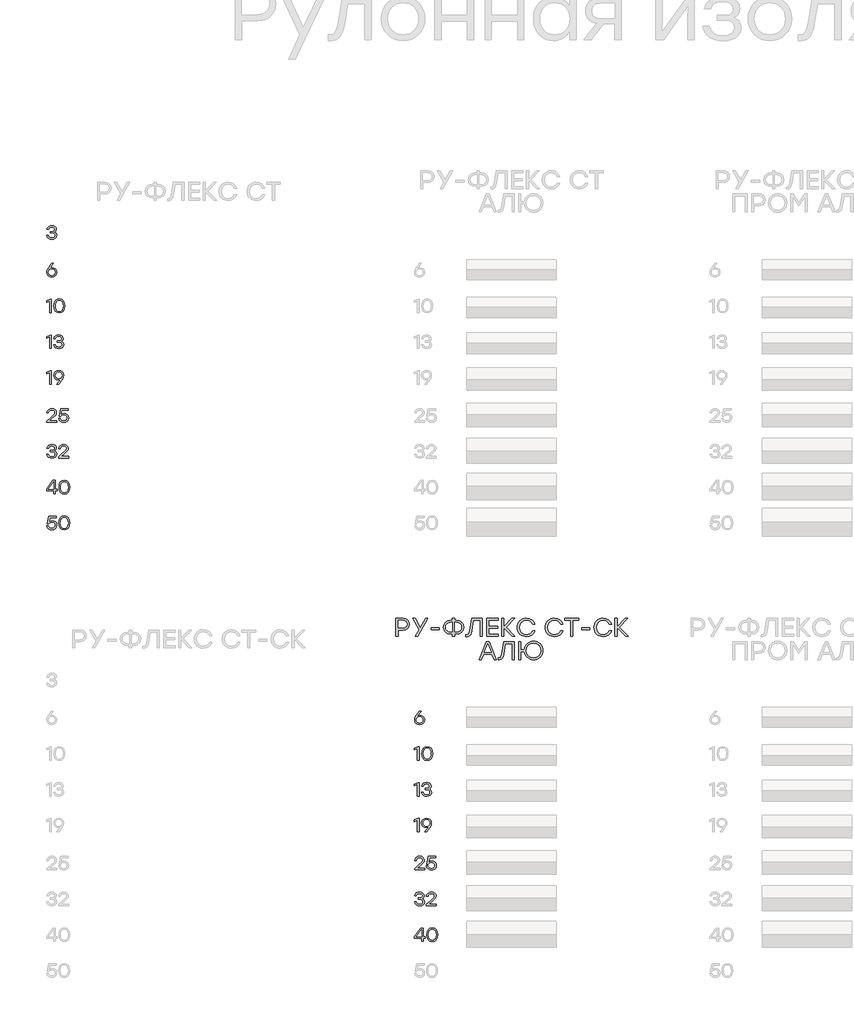
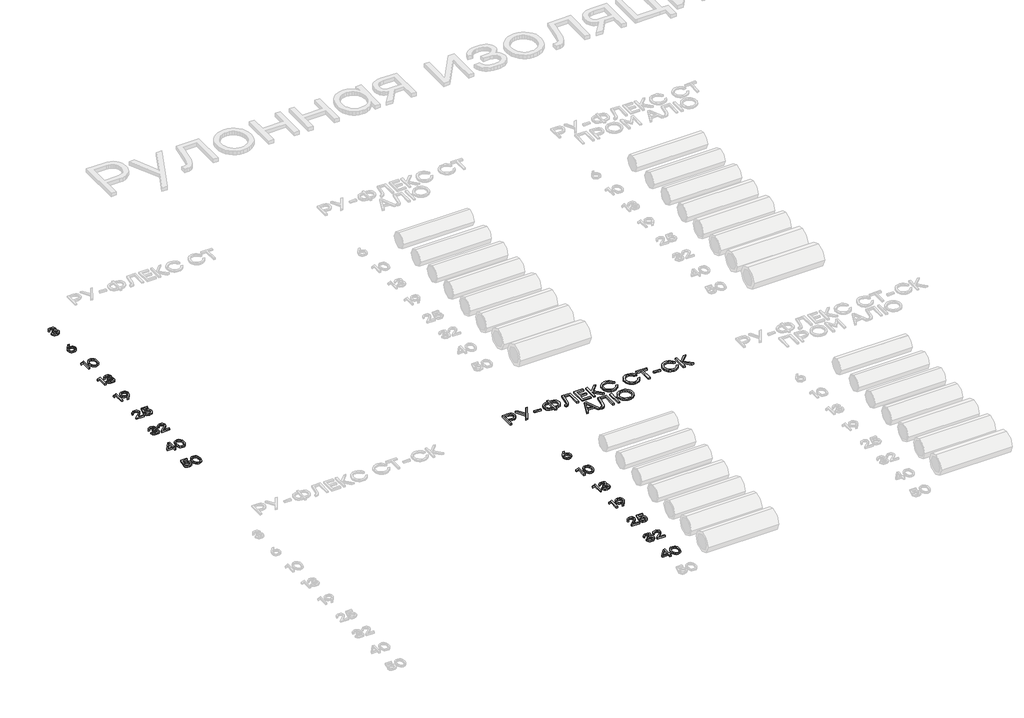
# One storey, part 36 of 41: 17 proxies.
"""IFC4 building model written with IfcOpenShell, lengths in millimetres."""

from ifc_helpers import new_model, si_unit, origin, origin_with_axes, place, context, project, spatial, polyline, outline, extrude, element, save

model = new_model("IFC4")

# Units and contexts
model_context = context("Model", 3, world=origin())
ifc_project = project(units=[si_unit("LENGTHUNIT", "METRE", prefix="MILLI")], contexts=[model_context])

# Site, building, storey
site = spatial("IfcSite", under=ifc_project)
building = spatial("IfcBuilding", under=site)
storey = spatial("IfcBuildingStorey", under=building, Elevation=0.0)

# Proxies
placement = place(None, origin())
element("IfcBuildingElementProxy", 1, Name="Generic Models", at=placement, inside=storey, context=model_context, shape_type="SweptSolid", body=[
    extrude(outline(polyline([(21490.5956427, -8446.3810501), (21510.2621824, -8449.7294046), (21526.8224173, -8459.7744679), (21538.0777292, -8475.6085536), (21541.8294998, -8496.3239753), (21537.8104659, -8517.8411868), (21525.7533643, -8534.870393), (21507.6954468, -8545.9592957), (21485.6739651, -8549.6555966), (21463.8340208, -8545.9895519), (21445.8366157, -8534.9914178), (21433.7795141, -8517.8311013), (21429.7604802, -8495.6785094), (21432.3826855, -8477.8323854), (21440.2493013, -8459.8753219), (21482.0432194, -8400.3109204), (21484.3830333, -8397.3256405), (21505.1993091, -8397.3256405), (21462.5178754, -8454.3283492), (21476.5164175, -8448.3678749), (21490.5956427, -8446.3810501)]), holes=[polyline([(21485.6739651, -8532.7524579), (21500.7819017, -8530.2311067), (21513.1062665, -8522.667053), (21521.3057008, -8511.0385811), (21524.0388455, -8496.3239753), (21521.3057008, -8481.5085155), (21513.1062665, -8470.0615809), (21500.8323287, -8462.7395769), (21485.8756732, -8460.2989089), (21470.5458577, -8462.7647904), (21458.3626886, -8470.1624349), (21450.4053041, -8481.6850101), (21447.7528426, -8496.5256834), (21450.4557311, -8511.3663568), (21458.5643967, -8522.8889319), (21470.7475658, -8530.2865764), (21485.6739651, -8532.7524579)])]), origin_with_axes(), (0.0, 0.0, 1.0), 20.0),
])
element("IfcBuildingElementProxy", 2, Name="Generic Models", at=placement, inside=storey, context=model_context, shape_type="SweptSolid", body=[
    extrude(outline(polyline([(21471.7561063, -8797.3256405), (21479.9051135, -8797.3256405), (21479.9051135, -8947.3157827), (21462.1144592, -8947.3157827), (21462.1144592, -8818.1015747), (21427.6223744, -8832.0194335), (21427.6223744, -8814.4708289), (21471.7561063, -8797.3256405)])), origin_with_axes(), (0.0, 0.0, 1.0), 20.0),
    extrude(outline(polyline([(21570.6334163, -8794.945485), (21596.1394053, -8800.0083582), (21615.2109061, -8815.1969781), (21627.1015985, -8839.5986153), (21631.0651626, -8872.3005408), (21627.1015985, -8905.0024663), (21615.2109061, -8929.4041035), (21596.1394053, -8944.5927233), (21570.6334163, -8949.6555966), (21545.2787083, -8944.6229795), (21526.1769513, -8929.5251284), (21514.1954903, -8905.1587901), (21510.2016699, -8872.3207116), (21514.1954903, -8839.4775904), (21526.1769513, -8815.096124), (21545.2787083, -8799.9831447), (21570.6334163, -8794.945485)]), holes=[polyline([(21539.4493442, -8918.0681084), (21552.8730182, -8929.0813705), (21570.6334163, -8932.7524579), (21588.3938144, -8929.0813705), (21601.8174883, -8918.0681084), (21610.2589722, -8899.2890844), (21613.0728002, -8872.3207116), (21610.2589722, -8845.3523388), (21601.8174883, -8826.5733148), (21588.3938144, -8815.5600526), (21570.6334163, -8811.8889653), (21552.8730182, -8815.5600526), (21539.4493442, -8826.5733148), (21531.0078603, -8845.3523388), (21528.1940323, -8872.3207116), (21531.0078603, -8899.2890844), (21539.4493442, -8918.0681084)])]), origin_with_axes(), (0.0, 0.0, 1.0), 20.0),
])
element("IfcBuildingElementProxy", 3, Name="Generic Models", at=placement, inside=storey, context=model_context, shape_type="SweptSolid", body=[
    extrude(outline(polyline([(21471.7561063, -9197.3256405), (21479.9051135, -9197.3256405), (21479.9051135, -9347.3157827), (21462.1144592, -9347.3157827), (21462.1144592, -9218.1015747), (21427.6223744, -9232.0194335), (21427.6223744, -9214.4708289), (21471.7561063, -9197.3256405)])), origin_with_axes(), (0.0, 0.0, 1.0), 20.0),
    extrude(outline(polyline([(21592.942332, -9268.246208), (21604.1522596, -9273.7124975), (21612.5281884, -9281.9623587), (21617.7473854, -9292.6226317), (21619.4871178, -9305.3201565), (21615.7908169, -9323.5696968), (21604.7019141, -9337.6539647), (21587.6121955, -9346.6551886), (21565.9134468, -9349.6555966), (21544.5273456, -9346.7661281), (21526.6005383, -9338.0977226), (21513.6559211, -9323.9126005), (21507.2163901, -9304.4729825), (21525.2087525, -9304.4729825), (21530.0699176, -9316.845253), (21538.4408037, -9325.6825891), (21550.3214107, -9330.9849907), (21565.7117387, -9332.7524579), (21580.6230099, -9330.8211029), (21591.9539623, -9325.0270378), (21599.1095571, -9315.9148744), (21601.4947554, -9304.0292247), (21599.4877598, -9293.2479268), (21593.466773, -9284.8669553), (21583.0989768, -9279.4813491), (21568.0515526, -9277.686147), (21547.2756185, -9277.686147), (21547.2756185, -9262.0335986), (21562.9281669, -9262.0335986), (21577.6478154, -9260.586343), (21588.16185, -9256.2445761), (21594.4702708, -9249.0082981), (21596.5730778, -9238.8775088), (21594.2937762, -9227.7381791), (21587.4558717, -9219.1706276), (21576.8661965, -9213.7093808), (21563.3315831, -9211.8889653), (21550.4928626, -9213.4169041), (21540.215835, -9218.0007206), (21532.5509273, -9226.1144289), (21527.5485664, -9238.2320429), (21509.556204, -9238.2320429), (21516.2276994, -9219.0294319), (21528.0931783, -9205.555331), (21544.2449543, -9197.5979465), (21563.7753409, -9194.945485), (21583.789827, -9197.8652097), (21600.1029695, -9206.6243839), (21610.9498225, -9219.9925881), (21614.5654402, -9236.739403), (21608.9982966, -9256.0226972), (21602.2007337, -9263.2539326), (21592.942332, -9268.246208)])), origin_with_axes(), (0.0, 0.0, 1.0), 20.0),
])
element("IfcBuildingElementProxy", 4, Name="Generic Models", at=placement, inside=storey, context=model_context, shape_type="SweptSolid", body=[
    extrude(outline(polyline([(21471.7561063, -9597.3256405), (21479.9051135, -9597.3256405), (21479.9051135, -9747.3157827), (21462.1144592, -9747.3157827), (21462.1144592, -9618.1015747), (21427.6223744, -9632.0194335), (21427.6223744, -9614.4708289), (21471.7561063, -9597.3256405)])), origin_with_axes(), (0.0, 0.0, 1.0), 20.0),
    extrude(outline(polyline([(21563.3315831, -9594.945485), (21585.2017837, -9598.5913589), (21603.2092742, -9609.5289805), (21615.2663758, -9626.6792116), (21619.2854097, -9648.9629138), (21616.6581617, -9666.8039951), (21608.7764177, -9684.7459305), (21567.0026705, -9744.3305028), (21564.6225149, -9747.3157827), (21543.8465808, -9747.3157827), (21586.4876728, -9690.313074), (21572.5093016, -9696.2735483), (21558.4099055, -9698.2603731), (21538.7484086, -9694.9120186), (21522.2033018, -9684.8669553), (21510.963118, -9669.0328696), (21507.2163901, -9648.3174479), (21511.2354239, -9626.7699802), (21523.2925255, -9609.7306886), (21541.3403577, -9598.6417859), (21563.3315831, -9594.945485)]), holes=[polyline([(21563.129875, -9684.3021727), (21578.5151602, -9681.8413339), (21590.7840553, -9674.4588174), (21598.8170804, -9662.9513704), (21601.4947554, -9648.1157398), (21598.7616106, -9633.2750664), (21590.5621764, -9621.7524913), (21578.2932813, -9614.3548468), (21563.3517539, -9611.8889653), (21548.4102265, -9614.4052738), (21536.1413314, -9621.9541994), (21527.9418972, -9633.5776286), (21525.2087525, -9648.3174479), (21527.911641, -9663.127865), (21536.0203066, -9674.5596715), (21548.2034757, -9681.8665474), (21563.129875, -9684.3021727)])]), origin_with_axes(), (0.0, 0.0, 1.0), 20.0),
])
element("IfcBuildingElementProxy", 5, Name="Generic Models", at=placement, inside=storey, context=model_context, shape_type="SweptSolid", body=[
    extrude(outline(polyline([(21542.2732576, -10154.1705943), (21542.2732576, -10171.3157827), (21429.7604802, -10171.3157827), (21429.7604802, -10158.446806), (21473.2487463, -10120.5256834), (21511.9363596, -10084.5409586), (21518.2901647, -10074.5765786), (21520.4080997, -10063.9667326), (21518.1035847, -10052.6912499), (21511.1900396, -10043.7152395), (21500.4188271, -10037.8455338), (21486.54131, -10035.8889653), (21472.608323, -10037.9514306), (21461.6707014, -10044.1388265), (21453.7940002, -10054.077993), (21449.0437744, -10067.3957703), (21431.051412, -10067.3957703), (21437.2488934, -10047.3964123), (21449.4673614, -10032.0161698), (21466.5671655, -10022.2131562), (21487.4086548, -10018.945485), (21507.9526246, -10022.1072594), (21524.1598704, -10031.5925828), (21534.6890331, -10045.8483026), (21538.198754, -10063.3212667), (21535.6521893, -10077.9602319), (21528.012495, -10091.0561302), (21487.812071, -10129.3201565), (21459.0888377, -10154.1705943), (21542.2732576, -10154.1705943)])), origin_with_axes(), (0.0, 0.0, 1.0), 20.0),
    extrude(outline(polyline([(21623.3599133, -10072.3174479), (21643.2483318, -10075.6910158), (21659.667371, -10085.8117197), (21670.6806332, -10101.5096524), (21674.3517206, -10121.6149072), (21670.4436262, -10142.3152008), (21658.7193429, -10158.9914178), (21641.1556103, -10169.9895519), (21619.7291675, -10173.6555966), (21598.771696, -10170.6047616), (21580.9205293, -10161.4522566), (21567.9002715, -10146.7225227), (21561.435527, -10126.940001), (21579.4278894, -10126.940001), (21584.5764886, -10139.6425685), (21593.5676271, -10149.0270378), (21605.5642163, -10154.8211029), (21619.7291675, -10156.7524579), (21634.2168517, -10154.2311067), (21645.9713911, -10146.667053), (21653.7623664, -10135.3613141), (21656.3593582, -10121.6149072), (21653.7875799, -10107.6718348), (21646.0722452, -10096.7442986), (21634.3933462, -10089.6794724), (21619.9308756, -10087.3245304), (21598.9330625, -10092.195781), (21584.349567, -10106.8095327), (21567.2043786, -10106.8095327), (21585.4387907, -10021.3256405), (21667.2919371, -10021.3256405), (21667.2919371, -10038.2287792), (21598.9128917, -10038.2287792), (21589.0695365, -10084.9443748), (21604.500206, -10075.4741796), (21623.3599133, -10072.3174479)])), origin_with_axes(), (0.0, 0.0, 1.0), 20.0),
])
element("IfcBuildingElementProxy", 6, Name="Generic Models", at=placement, inside=storey, context=model_context, shape_type="SweptSolid", body=[
    extrude(outline(polyline([(21515.4864221, -10492.246208), (21526.6963497, -10497.7124975), (21535.0722785, -10505.9623587), (21540.2914755, -10516.6226317), (21542.0312079, -10529.3201565), (21538.334907, -10547.5696968), (21527.2460043, -10561.6539647), (21510.1562856, -10570.6551886), (21488.4575369, -10573.6555966), (21467.0714357, -10570.7661281), (21449.1446285, -10562.0977226), (21436.2000112, -10547.9126005), (21429.7604802, -10528.4729825), (21447.7528426, -10528.4729825), (21452.6140078, -10540.845253), (21460.9848939, -10549.6825891), (21472.8655009, -10554.9849907), (21488.2558288, -10556.7524579), (21503.1671, -10554.8211029), (21514.4980524, -10549.0270378), (21521.6536472, -10539.9148744), (21524.0388455, -10528.0292247), (21522.0318499, -10517.2479268), (21516.0108632, -10508.8669553), (21505.6430669, -10503.4813491), (21490.5956427, -10501.686147), (21469.8197086, -10501.686147), (21469.8197086, -10486.0335986), (21485.472257, -10486.0335986), (21500.1919055, -10484.586343), (21510.7059402, -10480.2445761), (21517.014361, -10473.0082981), (21519.1171679, -10462.8775088), (21516.8378664, -10451.7381791), (21509.9999618, -10443.1706276), (21499.4102867, -10437.7093808), (21485.8756732, -10435.8889653), (21473.0369528, -10437.4169041), (21462.7599251, -10442.0007206), (21455.0950174, -10450.1144289), (21450.0926565, -10462.2320429), (21432.1002941, -10462.2320429), (21438.7717895, -10443.0294319), (21450.6372684, -10429.555331), (21466.7890444, -10421.5979465), (21486.3194311, -10418.945485), (21506.3339171, -10421.8652097), (21522.6470596, -10430.6243839), (21533.4939126, -10443.9925881), (21537.1095303, -10460.739403), (21531.5423868, -10480.0226972), (21524.7448238, -10487.2539326), (21515.4864221, -10492.246208)])), origin_with_axes(), (0.0, 0.0, 1.0), 20.0),
    extrude(outline(polyline([(21673.9483044, -10554.1705943), (21673.9483044, -10571.3157827), (21561.435527, -10571.3157827), (21561.435527, -10558.446806), (21604.923793, -10520.5256834), (21643.6114064, -10484.5409586), (21649.9652115, -10474.5765786), (21652.0831465, -10463.9667326), (21649.7786315, -10452.6912499), (21642.8650864, -10443.7152395), (21632.0938739, -10437.8455338), (21618.2163567, -10435.8889653), (21604.2833698, -10437.9514306), (21593.3457482, -10444.1388265), (21585.4690469, -10454.077993), (21580.7188212, -10467.3957703), (21562.7264588, -10467.3957703), (21568.9239401, -10447.3964123), (21581.1424082, -10432.0161698), (21598.2422123, -10422.2131562), (21619.0837016, -10418.945485), (21639.6276714, -10422.1072594), (21655.8349171, -10431.5925828), (21666.3640799, -10445.8483026), (21669.8738008, -10463.3212667), (21667.327236, -10477.9602319), (21659.6875418, -10491.0561302), (21619.4871178, -10529.3201565), (21590.7638845, -10554.1705943), (21673.9483044, -10554.1705943)])), origin_with_axes(), (0.0, 0.0, 1.0), 20.0),
])
element("IfcBuildingElementProxy", 7, Name="Generic Models", at=placement, inside=storey, context=model_context, shape_type="SweptSolid", body=[
    extrude(outline(polyline([(21547.8404011, -10918.5892857), (21547.8404011, -10935.3310579), (21525.7735351, -10935.3310579), (21525.7735351, -10971.3157827), (21507.9828808, -10971.3157827), (21507.9828808, -10935.3310579), (21427.6223744, -10935.3310579), (21427.6223744, -10918.5892857), (21499.1884077, -10821.3256405), (21525.7735351, -10821.3256405), (21525.7735351, -10918.5892857), (21547.8404011, -10918.5892857)]), holes=[polyline([(21447.3090848, -10918.3875776), (21507.9828808, -10918.3875776), (21507.9828808, -10838.0270711), (21506.2481912, -10838.0270711), (21447.3090848, -10918.3875776)])]), origin_with_axes(), (0.0, 0.0, 1.0), 20.0),
    extrude(outline(polyline([(21627.4344168, -10818.945485), (21652.9404059, -10824.0083582), (21672.0119066, -10839.1969781), (21683.9025991, -10863.5986153), (21687.8661632, -10896.3005408), (21683.9025991, -10929.0024663), (21672.0119066, -10953.4041035), (21652.9404059, -10968.5927233), (21627.4344168, -10973.6555966), (21602.0797088, -10968.6229795), (21582.9779519, -10953.5251284), (21570.9964909, -10929.1587901), (21567.0026705, -10896.3207116), (21570.9964909, -10863.4775904), (21582.9779519, -10839.096124), (21602.0797088, -10823.9831447), (21627.4344168, -10818.945485)]), holes=[polyline([(21596.2503448, -10942.0681084), (21609.6740188, -10953.0813705), (21627.4344168, -10956.7524579), (21645.1948149, -10953.0813705), (21658.6184889, -10942.0681084), (21667.0599728, -10923.2890844), (21669.8738008, -10896.3207116), (21667.0599728, -10869.3523388), (21658.6184889, -10850.5733148), (21645.1948149, -10839.5600526), (21627.4344168, -10835.8889653), (21609.6740188, -10839.5600526), (21596.2503448, -10850.5733148), (21587.8088609, -10869.3523388), (21584.9950329, -10896.3207116), (21587.8088609, -10923.2890844), (21596.2503448, -10942.0681084)])]), origin_with_axes(), (0.0, 0.0, 1.0), 20.0),
])
element("IfcBuildingElementProxy", 8, Name="Generic Models", at=placement, inside=storey, context=model_context, shape_type="SweptSolid", body=[
    extrude(outline(polyline([(21491.6848665, -11272.3174479), (21511.573285, -11275.6910158), (21527.9923242, -11285.8117197), (21539.0055864, -11301.5096524), (21542.6766738, -11321.6149072), (21538.7685794, -11342.3152008), (21527.0442962, -11358.9914178), (21509.4805635, -11369.9895519), (21488.0541207, -11373.6555966), (21467.0966493, -11370.6047616), (21449.2454825, -11361.4522566), (21436.2252248, -11346.7225227), (21429.7604802, -11326.940001), (21447.7528426, -11326.940001), (21452.9014418, -11339.6425685), (21461.8925803, -11349.0270378), (21473.8891695, -11354.8211029), (21488.0541207, -11356.7524579), (21502.5418049, -11354.2311067), (21514.2963443, -11346.667053), (21522.0873196, -11335.3613141), (21524.6843114, -11321.6149072), (21522.1125332, -11307.6718348), (21514.3971984, -11296.7442986), (21502.7182995, -11289.6794724), (21488.2558288, -11287.3245304), (21467.2580157, -11292.195781), (21452.6745202, -11306.8095327), (21435.5293318, -11306.8095327), (21453.7637439, -11221.3256405), (21535.6168904, -11221.3256405), (21535.6168904, -11238.2287792), (21467.2378449, -11238.2287792), (21457.3944897, -11284.9443748), (21472.8251593, -11275.4741796), (21491.6848665, -11272.3174479)])), origin_with_axes(), (0.0, 0.0, 1.0), 20.0),
    extrude(outline(polyline([(21624.8525532, -11218.945485), (21650.3585423, -11224.0083582), (21669.430043, -11239.1969781), (21681.3207354, -11263.5986153), (21685.2842995, -11296.3005408), (21681.3207354, -11329.0024663), (21669.430043, -11353.4041035), (21650.3585423, -11368.5927233), (21624.8525532, -11373.6555966), (21599.4978452, -11368.6229795), (21580.3960882, -11353.5251284), (21568.4146272, -11329.1587901), (21564.4208068, -11296.3207116), (21568.4146272, -11263.4775904), (21580.3960882, -11239.096124), (21599.4978452, -11223.9831447), (21624.8525532, -11218.945485)]), holes=[polyline([(21593.6684811, -11342.0681084), (21607.0921551, -11353.0813705), (21624.8525532, -11356.7524579), (21642.6129513, -11353.0813705), (21656.0366252, -11342.0681084), (21664.4781092, -11323.2890844), (21667.2919371, -11296.3207116), (21664.4781092, -11269.3523388), (21656.0366252, -11250.5733148), (21642.6129513, -11239.5600526), (21624.8525532, -11235.8889653), (21607.0921551, -11239.5600526), (21593.6684811, -11250.5733148), (21585.2269972, -11269.3523388), (21582.4131692, -11296.3207116), (21585.2269972, -11323.2890844), (21593.6684811, -11342.0681084)])]), origin_with_axes(), (0.0, 0.0, 1.0), 20.0),
])
element("IfcBuildingElementProxy", 9, Name="Generic Models", at=placement, inside=storey, context=model_context, shape_type="SweptSolid", body=[
    extrude(outline(polyline([(21515.4864221, -8048.246208), (21526.6963497, -8053.7124975), (21535.0722785, -8061.9623587), (21540.2914755, -8072.6226317), (21542.0312079, -8085.3201565), (21538.334907, -8103.5696968), (21527.2460043, -8117.6539647), (21510.1562856, -8126.6551886), (21488.4575369, -8129.6555966), (21467.0714357, -8126.7661281), (21449.1446285, -8118.0977226), (21436.2000112, -8103.9126005), (21429.7604802, -8084.4729825), (21447.7528426, -8084.4729825), (21452.6140078, -8096.845253), (21460.9848939, -8105.6825891), (21472.8655009, -8110.9849907), (21488.2558288, -8112.7524579), (21503.1671, -8110.8211029), (21514.4980524, -8105.0270378), (21521.6536472, -8095.9148744), (21524.0388455, -8084.0292247), (21522.0318499, -8073.2479268), (21516.0108632, -8064.8669553), (21505.6430669, -8059.4813491), (21490.5956427, -8057.686147), (21469.8197086, -8057.686147), (21469.8197086, -8042.0335986), (21485.472257, -8042.0335986), (21500.1919055, -8040.586343), (21510.7059402, -8036.2445761), (21517.014361, -8029.0082981), (21519.1171679, -8018.8775088), (21516.8378664, -8007.7381791), (21509.9999618, -7999.1706276), (21499.4102867, -7993.7093808), (21485.8756732, -7991.8889653), (21473.0369528, -7993.4169041), (21462.7599251, -7998.0007206), (21455.0950174, -8006.1144289), (21450.0926565, -8018.2320429), (21432.1002941, -8018.2320429), (21438.7717895, -7999.0294319), (21450.6372684, -7985.555331), (21466.7890444, -7977.5979465), (21486.3194311, -7974.945485), (21506.3339171, -7977.8652097), (21522.6470596, -7986.6243839), (21533.4939126, -7999.9925881), (21537.1095303, -8016.739403), (21531.5423868, -8036.0226972), (21524.7448238, -8043.2539326), (21515.4864221, -8048.246208)])), origin_with_axes(), (0.0, 0.0, 1.0), 20.0),
])
element("IfcBuildingElementProxy", 10, Name="Generic Models", at=placement, inside=storey, context=model_context, shape_type="SweptSolid", body=[
    extrude(outline(polyline([(25599.0241406, -13446.3810501), (25618.6906803, -13449.7294046), (25635.2509151, -13459.7744679), (25646.5062271, -13475.6085536), (25650.2579977, -13496.3239753), (25646.2389638, -13517.8411868), (25634.1818622, -13534.870393), (25616.1239447, -13545.9592957), (25594.102463, -13549.6555966), (25572.2625187, -13545.9895519), (25554.2651136, -13534.9914178), (25542.208012, -13517.8311013), (25538.1889781, -13495.6785094), (25540.8111834, -13477.8323854), (25548.6777992, -13459.8753219), (25590.4717173, -13400.3109204), (25592.8115312, -13397.3256405), (25613.627807, -13397.3256405), (25570.9463733, -13454.3283492), (25584.9449154, -13448.3678749), (25599.0241406, -13446.3810501)]), holes=[polyline([(25594.102463, -13532.7524579), (25609.2103996, -13530.2311067), (25621.5347644, -13522.667053), (25629.7341987, -13511.0385811), (25632.4673434, -13496.3239753), (25629.7341987, -13481.5085155), (25621.5347644, -13470.0615809), (25609.2608266, -13462.7395769), (25594.3041711, -13460.2989089), (25578.9743556, -13462.7647904), (25566.7911865, -13470.1624349), (25558.833802, -13481.6850101), (25556.1813405, -13496.5256834), (25558.884229, -13511.3663568), (25566.9928946, -13522.8889319), (25579.1760637, -13530.2865764), (25594.102463, -13532.7524579)])]), origin_with_axes(), (0.0, 0.0, 1.0), 20.0),
])
element("IfcBuildingElementProxy", 11, Name="Generic Models", at=placement, inside=storey, context=model_context, shape_type="SweptSolid", body=[
    extrude(outline(polyline([(25580.1846042, -13797.3256405), (25588.3336114, -13797.3256405), (25588.3336114, -13947.3157827), (25570.5429571, -13947.3157827), (25570.5429571, -13818.1015747), (25536.0508722, -13832.0194335), (25536.0508722, -13814.4708289), (25580.1846042, -13797.3256405)])), origin_with_axes(), (0.0, 0.0, 1.0), 20.0),
    extrude(outline(polyline([(25679.0619142, -13794.945485), (25704.5679032, -13800.0083582), (25723.639404, -13815.1969781), (25735.5300964, -13839.5986153), (25739.4936605, -13872.3005408), (25735.5300964, -13905.0024663), (25723.639404, -13929.4041035), (25704.5679032, -13944.5927233), (25679.0619142, -13949.6555966), (25653.7072062, -13944.6229795), (25634.6054492, -13929.5251284), (25622.6239882, -13905.1587901), (25618.6301678, -13872.3207116), (25622.6239882, -13839.4775904), (25634.6054492, -13815.096124), (25653.7072062, -13799.9831447), (25679.0619142, -13794.945485)]), holes=[polyline([(25647.8778421, -13918.0681084), (25661.3015161, -13929.0813705), (25679.0619142, -13932.7524579), (25696.8223123, -13929.0813705), (25710.2459862, -13918.0681084), (25718.6874701, -13899.2890844), (25721.5012981, -13872.3207116), (25718.6874701, -13845.3523388), (25710.2459862, -13826.5733148), (25696.8223123, -13815.5600526), (25679.0619142, -13811.8889653), (25661.3015161, -13815.5600526), (25647.8778421, -13826.5733148), (25639.4363582, -13845.3523388), (25636.6225302, -13872.3207116), (25639.4363582, -13899.2890844), (25647.8778421, -13918.0681084)])]), origin_with_axes(), (0.0, 0.0, 1.0), 20.0),
])
element("IfcBuildingElementProxy", 12, Name="Generic Models", at=placement, inside=storey, context=model_context, shape_type="SweptSolid", body=[
    extrude(outline(polyline([(25580.1846042, -14197.3256405), (25588.3336114, -14197.3256405), (25588.3336114, -14347.3157827), (25570.5429571, -14347.3157827), (25570.5429571, -14218.1015747), (25536.0508722, -14232.0194335), (25536.0508722, -14214.4708289), (25580.1846042, -14197.3256405)])), origin_with_axes(), (0.0, 0.0, 1.0), 20.0),
    extrude(outline(polyline([(25701.3708299, -14268.246208), (25712.5807575, -14273.7124975), (25720.9566862, -14281.9623587), (25726.1758833, -14292.6226317), (25727.9156157, -14305.3201565), (25724.2193147, -14323.5696968), (25713.130412, -14337.6539647), (25696.0406934, -14346.6551886), (25674.3419447, -14349.6555966), (25652.9558435, -14346.7661281), (25635.0290362, -14338.0977226), (25622.084419, -14323.9126005), (25615.644888, -14304.4729825), (25633.6372504, -14304.4729825), (25638.4984155, -14316.845253), (25646.8693016, -14325.6825891), (25658.7499086, -14330.9849907), (25674.1402366, -14332.7524579), (25689.0515078, -14330.8211029), (25700.3824602, -14325.0270378), (25707.538055, -14315.9148744), (25709.9232533, -14304.0292247), (25707.9162577, -14293.2479268), (25701.8952709, -14284.8669553), (25691.5274747, -14279.4813491), (25676.4800505, -14277.686147), (25655.7041163, -14277.686147), (25655.7041163, -14262.0335986), (25671.3566648, -14262.0335986), (25686.0763133, -14260.586343), (25696.5903479, -14256.2445761), (25702.8987687, -14249.0082981), (25705.0015756, -14238.8775088), (25702.7222741, -14227.7381791), (25695.8843696, -14219.1706276), (25685.2946944, -14213.7093808), (25671.760081, -14211.8889653), (25658.9213605, -14213.4169041), (25648.6443329, -14218.0007206), (25640.9794251, -14226.1144289), (25635.9770643, -14238.2320429), (25617.9847019, -14238.2320429), (25624.6561973, -14219.0294319), (25636.5216762, -14205.555331), (25652.6734522, -14197.5979465), (25672.2038388, -14194.945485), (25692.2183249, -14197.8652097), (25708.5314674, -14206.6243839), (25719.3783204, -14219.9925881), (25722.993938, -14236.739403), (25717.4267945, -14256.0226972), (25710.6292316, -14263.2539326), (25701.3708299, -14268.246208)])), origin_with_axes(), (0.0, 0.0, 1.0), 20.0),
])
element("IfcBuildingElementProxy", 13, Name="Generic Models", at=placement, inside=storey, context=model_context, shape_type="SweptSolid", body=[
    extrude(outline(polyline([(25580.1846042, -14597.3256405), (25588.3336114, -14597.3256405), (25588.3336114, -14747.3157827), (25570.5429571, -14747.3157827), (25570.5429571, -14618.1015747), (25536.0508722, -14632.0194335), (25536.0508722, -14614.4708289), (25580.1846042, -14597.3256405)])), origin_with_axes(), (0.0, 0.0, 1.0), 20.0),
    extrude(outline(polyline([(25671.760081, -14594.945485), (25693.6302816, -14598.5913589), (25711.6377721, -14609.5289805), (25723.6948737, -14626.6792116), (25727.7139076, -14648.9629138), (25725.0866596, -14666.8039951), (25717.2049156, -14684.7459305), (25675.4311684, -14744.3305028), (25673.0510128, -14747.3157827), (25652.2750787, -14747.3157827), (25694.9161707, -14690.313074), (25680.9377995, -14696.2735483), (25666.8384034, -14698.2603731), (25647.1769065, -14694.9120186), (25630.6317997, -14684.8669553), (25619.3916159, -14669.0328696), (25615.644888, -14648.3174479), (25619.6639218, -14626.7699802), (25631.7210234, -14609.7306886), (25649.7688555, -14598.6417859), (25671.760081, -14594.945485)]), holes=[polyline([(25671.5583729, -14684.3021727), (25686.9436581, -14681.8413339), (25699.2125532, -14674.4588174), (25707.2455782, -14662.9513704), (25709.9232533, -14648.1157398), (25707.1901085, -14633.2750664), (25698.9906743, -14621.7524913), (25686.7217792, -14614.3548468), (25671.7802518, -14611.8889653), (25656.8387244, -14614.4052738), (25644.5698293, -14621.9541994), (25636.3703951, -14633.5776286), (25633.6372504, -14648.3174479), (25636.3401389, -14663.127865), (25644.4488044, -14674.5596715), (25656.6319736, -14681.8665474), (25671.5583729, -14684.3021727)])]), origin_with_axes(), (0.0, 0.0, 1.0), 20.0),
])
element("IfcBuildingElementProxy", 14, Name="Generic Models", at=placement, inside=storey, context=model_context, shape_type="SweptSolid", body=[
    extrude(outline(polyline([(25650.7017555, -15154.1705943), (25650.7017555, -15171.3157827), (25538.1889781, -15171.3157827), (25538.1889781, -15158.446806), (25581.6772442, -15120.5256834), (25620.3648575, -15084.5409586), (25626.7186626, -15074.5765786), (25628.8365976, -15063.9667326), (25626.5320826, -15052.6912499), (25619.6185375, -15043.7152395), (25608.847325, -15037.8455338), (25594.9698079, -15035.8889653), (25581.0368209, -15037.9514306), (25570.0991993, -15044.1388265), (25562.222498, -15054.077993), (25557.4722723, -15067.3957703), (25539.4799099, -15067.3957703), (25545.6773913, -15047.3964123), (25557.8958593, -15032.0161698), (25574.9956634, -15022.2131562), (25595.8371527, -15018.945485), (25616.3811225, -15022.1072594), (25632.5883682, -15031.5925828), (25643.117531, -15045.8483026), (25646.6272519, -15063.3212667), (25644.0806872, -15077.9602319), (25636.4409929, -15091.0561302), (25596.2405689, -15129.3201565), (25567.5173356, -15154.1705943), (25650.7017555, -15154.1705943)])), origin_with_axes(), (0.0, 0.0, 1.0), 20.0),
    extrude(outline(polyline([(25731.7884111, -15072.3174479), (25751.6768297, -15075.6910158), (25768.0958689, -15085.8117197), (25779.1091311, -15101.5096524), (25782.7802185, -15121.6149072), (25778.8721241, -15142.3152008), (25767.1478408, -15158.9914178), (25749.5841081, -15169.9895519), (25728.1576654, -15173.6555966), (25707.2001939, -15170.6047616), (25689.3490272, -15161.4522566), (25676.3287694, -15146.7225227), (25669.8640249, -15126.940001), (25687.8563873, -15126.940001), (25693.0049865, -15139.6425685), (25701.996125, -15149.0270378), (25713.9927141, -15154.8211029), (25728.1576654, -15156.7524579), (25742.6453496, -15154.2311067), (25754.399889, -15146.667053), (25762.1908643, -15135.3613141), (25764.7878561, -15121.6149072), (25762.2160778, -15107.6718348), (25754.500743, -15096.7442986), (25742.8218441, -15089.6794724), (25728.3593735, -15087.3245304), (25707.3615604, -15092.195781), (25692.7780649, -15106.8095327), (25675.6328765, -15106.8095327), (25693.8672886, -15021.3256405), (25775.720435, -15021.3256405), (25775.720435, -15038.2287792), (25707.3413896, -15038.2287792), (25697.4980344, -15084.9443748), (25712.9287039, -15075.4741796), (25731.7884111, -15072.3174479)])), origin_with_axes(), (0.0, 0.0, 1.0), 20.0),
])
element("IfcBuildingElementProxy", 15, Name="Generic Models", at=placement, inside=storey, context=model_context, shape_type="SweptSolid", body=[
    extrude(outline(polyline([(25623.91492, -15492.246208), (25635.1248476, -15497.7124975), (25643.5007764, -15505.9623587), (25648.7199734, -15516.6226317), (25650.4597058, -15529.3201565), (25646.7634049, -15547.5696968), (25635.6745022, -15561.6539647), (25618.5847835, -15570.6551886), (25596.8860348, -15573.6555966), (25575.4999336, -15570.7661281), (25557.5731264, -15562.0977226), (25544.6285091, -15547.9126005), (25538.1889781, -15528.4729825), (25556.1813405, -15528.4729825), (25561.0425057, -15540.845253), (25569.4133918, -15549.6825891), (25581.2939988, -15554.9849907), (25596.6843267, -15556.7524579), (25611.5955979, -15554.8211029), (25622.9265503, -15549.0270378), (25630.0821451, -15539.9148744), (25632.4673434, -15528.0292247), (25630.4603478, -15517.2479268), (25624.4393611, -15508.8669553), (25614.0715648, -15503.4813491), (25599.0241406, -15501.686147), (25578.2482065, -15501.686147), (25578.2482065, -15486.0335986), (25593.9007549, -15486.0335986), (25608.6204034, -15484.586343), (25619.1344381, -15480.2445761), (25625.4428589, -15473.0082981), (25627.5456658, -15462.8775088), (25625.2663643, -15451.7381791), (25618.4284597, -15443.1706276), (25607.8387845, -15437.7093808), (25594.3041711, -15435.8889653), (25581.4654507, -15437.4169041), (25571.188423, -15442.0007206), (25563.5235153, -15450.1144289), (25558.5211544, -15462.2320429), (25540.528792, -15462.2320429), (25547.2002874, -15443.0294319), (25559.0657663, -15429.555331), (25575.2175423, -15421.5979465), (25594.7479289, -15418.945485), (25614.762415, -15421.8652097), (25631.0755575, -15430.6243839), (25641.9224105, -15443.9925881), (25645.5380282, -15460.739403), (25639.9708847, -15480.0226972), (25633.1733217, -15487.2539326), (25623.91492, -15492.246208)])), origin_with_axes(), (0.0, 0.0, 1.0), 20.0),
    extrude(outline(polyline([(25782.3768023, -15554.1705943), (25782.3768023, -15571.3157827), (25669.8640249, -15571.3157827), (25669.8640249, -15558.446806), (25713.3522909, -15520.5256834), (25752.0399042, -15484.5409586), (25758.3937094, -15474.5765786), (25760.5116444, -15463.9667326), (25758.2071294, -15452.6912499), (25751.2935843, -15443.7152395), (25740.5223718, -15437.8455338), (25726.6448546, -15435.8889653), (25712.7118677, -15437.9514306), (25701.7742461, -15444.1388265), (25693.8975448, -15454.077993), (25689.1473191, -15467.3957703), (25671.1549567, -15467.3957703), (25677.352438, -15447.3964123), (25689.5709061, -15432.0161698), (25706.6707102, -15422.2131562), (25727.5121995, -15418.945485), (25748.0561693, -15422.1072594), (25764.263415, -15431.5925828), (25774.7925778, -15445.8483026), (25778.3022987, -15463.3212667), (25775.7557339, -15477.9602319), (25768.1160397, -15491.0561302), (25727.9156157, -15529.3201565), (25699.1923824, -15554.1705943), (25782.3768023, -15554.1705943)])), origin_with_axes(), (0.0, 0.0, 1.0), 20.0),
])
element("IfcBuildingElementProxy", 16, Name="Generic Models", at=placement, inside=storey, context=model_context, shape_type="SweptSolid", body=[
    extrude(outline(polyline([(25656.268899, -15918.5892857), (25656.268899, -15935.3310579), (25634.202033, -15935.3310579), (25634.202033, -15971.3157827), (25616.4113787, -15971.3157827), (25616.4113787, -15935.3310579), (25536.0508722, -15935.3310579), (25536.0508722, -15918.5892857), (25607.6169056, -15821.3256405), (25634.202033, -15821.3256405), (25634.202033, -15918.5892857), (25656.268899, -15918.5892857)]), holes=[polyline([(25555.7375827, -15918.3875776), (25616.4113787, -15918.3875776), (25616.4113787, -15838.0270711), (25614.6766891, -15838.0270711), (25555.7375827, -15918.3875776)])]), origin_with_axes(), (0.0, 0.0, 1.0), 20.0),
    extrude(outline(polyline([(25735.8629147, -15818.945485), (25761.3689038, -15824.0083582), (25780.4404045, -15839.1969781), (25792.3310969, -15863.5986153), (25796.2946611, -15896.3005408), (25792.3310969, -15929.0024663), (25780.4404045, -15953.4041035), (25761.3689038, -15968.5927233), (25735.8629147, -15973.6555966), (25710.5082067, -15968.6229795), (25691.4064498, -15953.5251284), (25679.4249887, -15929.1587901), (25675.4311684, -15896.3207116), (25679.4249887, -15863.4775904), (25691.4064498, -15839.096124), (25710.5082067, -15823.9831447), (25735.8629147, -15818.945485)]), holes=[polyline([(25704.6788427, -15942.0681084), (25718.1025167, -15953.0813705), (25735.8629147, -15956.7524579), (25753.6233128, -15953.0813705), (25767.0469868, -15942.0681084), (25775.4884707, -15923.2890844), (25778.3022987, -15896.3207116), (25775.4884707, -15869.3523388), (25767.0469868, -15850.5733148), (25753.6233128, -15839.5600526), (25735.8629147, -15835.8889653), (25718.1025167, -15839.5600526), (25704.6788427, -15850.5733148), (25696.2373588, -15869.3523388), (25693.4235308, -15896.3207116), (25696.2373588, -15923.2890844), (25704.6788427, -15942.0681084)])]), origin_with_axes(), (0.0, 0.0, 1.0), 20.0),
])
element("IfcBuildingElementProxy", 17, Name="Generic Models", at=placement, inside=storey, context=model_context, shape_type="SweptSolid", body=[
    extrude(outline(polyline([(25410.1380532, -12363.4876334), (25439.157125, -12367.952106), (25461.0222829, -12381.3455237), (25474.7384336, -12401.7987249), (25479.3104838, -12427.4425478), (25474.6980919, -12453.4763398), (25460.8609164, -12474.3464044), (25438.9554169, -12488.0625551), (25410.1380532, -12492.6346053), (25353.5522079, -12492.6346053), (25353.5522079, -12563.4744896), (25329.8313355, -12563.4744896), (25329.8313355, -12363.4876334), (25410.1380532, -12363.4876334)]), holes=[polyline([(25409.277432, -12470.0432983), (25429.1456797, -12467.0445712), (25443.5678087, -12458.04839), (25452.342111, -12444.4801586), (25455.2668784, -12427.7652808), (25452.342111, -12411.1176391), (25443.5678087, -12397.7511157), (25429.1456797, -12388.9566426), (25409.277432, -12386.0251516), (25353.5522079, -12386.0251516), (25353.5522079, -12470.0432983), (25409.277432, -12470.0432983)])]), origin_with_axes(), (0.0, 0.0, 1.0), 20.0),
    extrude(outline(polyline([(25688.3338628, -12363.4876334), (25575.2159611, -12563.4744896), (25548.3753368, -12563.4744896), (25589.792733, -12490.9133629), (25516.9088734, -12363.4876334), (25543.8032865, -12363.4876334), (25602.9172066, -12465.471248), (25661.7621826, -12363.4876334), (25688.3338628, -12363.4876334)])), origin_with_axes(), (0.0, 0.0, 1.0), 20.0),
    extrude(outline(polyline([(25814.8989711, -12466.0629251), (25814.8989711, -12488.6004433), (25722.2746122, -12488.6004433), (25722.2746122, -12466.0629251), (25814.8989711, -12466.0629251)])), origin_with_axes(), (0.0, 0.0, 1.0), 20.0),
    extrude(outline(polyline([(26005.4727826, -12386.0251516), (26037.1207833, -12391.1350901), (26062.8923547, -12406.4649056), (26072.8819483, -12417.5672555), (26080.0173723, -12430.4345513), (26085.7257115, -12461.4639805), (26080.0509903, -12492.4934096), (26072.9575888, -12505.3607054), (26063.0268268, -12516.4630554), (26037.2888734, -12531.7928709), (26005.4727826, -12536.9028094), (25985.7322834, -12536.9028094), (25985.7322834, -12563.4744896), (25962.011411, -12563.4744896), (25962.011411, -12536.9028094), (25942.0557564, -12536.9028094), (25910.1993241, -12531.7928709), (25884.4479235, -12516.4630554), (25874.5171614, -12505.3607054), (25867.4237599, -12492.4934096), (25861.7490388, -12461.4639805), (25867.4641016, -12430.4345513), (25874.6079301, -12417.5672555), (25884.6092899, -12406.4649056), (25910.4010322, -12391.1350901), (25942.0557564, -12386.0251516), (25962.011411, -12386.0251516), (25962.011411, -12363.4876334), (25985.7322834, -12363.4876334), (25985.7322834, -12386.0251516), (26005.4727826, -12386.0251516)]), holes=[polyline([(26005.4727826, -12514.3115023), (26028.0775369, -12510.8488466), (26046.1909241, -12500.4608795), (26058.091702, -12483.7863434), (26062.0586279, -12461.4639805), (26058.091702, -12439.1416176), (26046.1909241, -12422.4670814), (26028.0775369, -12412.0791143), (26005.4727826, -12408.6164586), (25985.7322834, -12408.6164586), (25985.7322834, -12514.3115023), (26005.4727826, -12514.3115023)]), polyline([(25942.0557564, -12514.3115023), (25962.011411, -12514.3115023), (25962.011411, -12408.6164586), (25942.0557564, -12408.6164586), (25919.6527103, -12412.0791143), (25901.6065591, -12422.4670814), (25889.7057812, -12439.1416176), (25885.7388553, -12461.4639805), (25889.6654396, -12483.7863434), (25901.4451926, -12500.4608795), (25919.4510022, -12510.8488466), (25942.0557564, -12514.3115023)])]), origin_with_axes(), (0.0, 0.0, 1.0), 20.0),
    extrude(outline(polyline([(26175.3916849, -12363.4876334), (26295.6635005, -12363.4876334), (26295.6635005, -12563.4744896), (26271.9426281, -12563.4744896), (26271.9426281, -12386.0251516), (26195.3473395, -12386.0251516), (26176.2523061, -12502.3165941), (26169.1521811, -12532.3374827), (26159.3626147, -12552.044364), (26146.1574578, -12562.9567721), (26128.8105613, -12566.5942415), (26113.1042241, -12565.7336203), (26113.1042241, -12544.0567233), (26124.2385111, -12544.5946115), (26134.9357639, -12542.3085864), (26142.4998176, -12535.4505111), (26152.8003779, -12500.9180846), (26175.3916849, -12363.4876334)])), origin_with_axes(), (0.0, 0.0, 1.0), 20.0),
    extrude(outline(polyline([(26472.2522172, -12386.0251516), (26369.0852484, -12386.0251516), (26369.0852484, -12449.4959666), (26465.3672475, -12449.4959666), (26465.3672475, -12472.0334848), (26369.0852484, -12472.0334848), (26369.0852484, -12540.8831825), (26472.2522172, -12540.8831825), (26472.2522172, -12563.4744896), (26345.364376, -12563.4744896), (26345.364376, -12363.4876334), (26472.2522172, -12363.4876334), (26472.2522172, -12386.0251516)])), origin_with_axes(), (0.0, 0.0, 1.0), 20.0),
    extrude(outline(polyline([(26658.8994445, -12563.4744896), (26628.3473912, -12563.4744896), (26534.3245228, -12466.3318693), (26534.3245228, -12563.4744896), (26510.6036504, -12563.4744896), (26510.6036504, -12363.4876334), (26534.3245228, -12363.4876334), (26534.3245228, -12457.1877688), (26625.2276392, -12363.4876334), (26655.5107484, -12363.4876334), (26560.896203, -12461.4908749), (26658.8994445, -12563.4744896)])), origin_with_axes(), (0.0, 0.0, 1.0), 20.0),
    extrude(outline(polyline([(26787.9388388, -12566.5942415), (26766.7409985, -12564.755336), (26747.4156818, -12559.2386195), (26729.9628885, -12550.044092), (26714.3826188, -12537.1717535), (26701.5691119, -12521.5309713), (26692.4166069, -12504.0311129), (26686.9251039, -12484.6721781), (26685.0946029, -12463.4541671), (26686.9251039, -12442.236156), (26692.4166069, -12422.8772212), (26701.5691119, -12405.3773628), (26714.3826188, -12389.7365806), (26729.9628885, -12376.8642421), (26747.4156818, -12367.6697146), (26766.7409985, -12362.1529981), (26787.9388388, -12360.3140926), (26819.4187494, -12364.8525248), (26846.9451812, -12378.4678215), (26868.6893143, -12399.7211315), (26882.8223284, -12427.1736037), (26857.3802135, -12427.1736037), (26845.9164699, -12408.966086), (26829.8134401, -12394.9003079), (26810.0662172, -12385.9041267), (26787.6698946, -12382.9053997), (26756.7682139, -12388.6540805), (26731.51436, -12405.9001229), (26714.6919046, -12431.7927192), (26709.0844194, -12463.4810615), (26714.6919046, -12495.1694038), (26731.51436, -12521.062), (26756.7682139, -12538.3080424), (26787.6698946, -12544.0567233), (26810.0662172, -12541.0579962), (26829.8134401, -12532.061815), (26845.9164699, -12517.9825897), (26857.3802135, -12499.7347304), (26882.8223284, -12499.7347304), (26868.6893143, -12527.2208206), (26846.9451812, -12548.467407), (26819.4187494, -12562.0625329), (26787.9388388, -12566.5942415)])), origin_with_axes(), (0.0, 0.0, 1.0), 20.0),
    extrude(outline(polyline([(27101.2049631, -12566.5942415), (27080.0071229, -12564.755336), (27060.6818061, -12559.2386195), (27043.2290129, -12550.044092), (27027.6487432, -12537.1717535), (27014.8352362, -12521.5309713), (27005.6827312, -12504.0311129), (27000.1912282, -12484.6721781), (26998.3607273, -12463.4541671), (27000.1912282, -12442.236156), (27005.6827312, -12422.8772212), (27014.8352362, -12405.3773628), (27027.6487432, -12389.7365806), (27043.2290129, -12376.8642421), (27060.6818061, -12367.6697146), (27080.0071229, -12362.1529981), (27101.2049631, -12360.3140926), (27132.6848737, -12364.8525248), (27160.2113056, -12378.4678215), (27181.9554386, -12399.7211315), (27196.0884527, -12427.1736037), (27170.6463379, -12427.1736037), (27159.1825943, -12408.966086), (27143.0795644, -12394.9003079), (27123.3323416, -12385.9041267), (27100.936019, -12382.9053997), (27070.0343383, -12388.6540805), (27044.7804843, -12405.9001229), (27027.9580289, -12431.7927192), (27022.3505438, -12463.4810615), (27027.9580289, -12495.1694038), (27044.7804843, -12521.062), (27070.0343383, -12538.3080424), (27100.936019, -12544.0567233), (27123.3323416, -12541.0579962), (27143.0795644, -12532.061815), (27159.1825943, -12517.9825897), (27170.6463379, -12499.7347304), (27196.0884527, -12499.7347304), (27181.9554386, -12527.2208206), (27160.2113056, -12548.467407), (27132.6848737, -12562.0625329), (27101.2049631, -12566.5942415)])), origin_with_axes(), (0.0, 0.0, 1.0), 20.0),
    extrude(outline(polyline([(27371.0097158, -12363.4876334), (27371.0097158, -12386.0251516), (27306.4093355, -12386.0251516), (27306.4093355, -12563.4744896), (27282.4195189, -12563.4744896), (27282.4195189, -12386.0251516), (27218.1418715, -12386.0251516), (27218.1418715, -12363.4876334), (27371.0097158, -12363.4876334)])), origin_with_axes(), (0.0, 0.0, 1.0), 20.0),
    extrude(outline(polyline([(27498.2740789, -12466.0629251), (27498.2740789, -12488.6004433), (27405.64972, -12488.6004433), (27405.64972, -12466.0629251), (27498.2740789, -12466.0629251)])), origin_with_axes(), (0.0, 0.0, 1.0), 20.0),
    extrude(outline(polyline([(27645.1175747, -12566.5942415), (27623.9197344, -12564.755336), (27604.5944176, -12559.2386195), (27587.1416244, -12550.044092), (27571.5613547, -12537.1717535), (27558.7478477, -12521.5309713), (27549.5953428, -12504.0311129), (27544.1038398, -12484.6721781), (27542.2733388, -12463.4541671), (27544.1038398, -12442.236156), (27549.5953428, -12422.8772212), (27558.7478477, -12405.3773628), (27571.5613547, -12389.7365806), (27587.1416244, -12376.8642421), (27604.5944176, -12367.6697146), (27623.9197344, -12362.1529981), (27645.1175747, -12360.3140926), (27676.5974852, -12364.8525248), (27704.1239171, -12378.4678215), (27725.8680501, -12399.7211315), (27740.0010642, -12427.1736037), (27714.5589494, -12427.1736037), (27703.0952058, -12408.966086), (27686.9921759, -12394.9003079), (27667.2449531, -12385.9041267), (27644.8486305, -12382.9053997), (27613.9469498, -12388.6540805), (27588.6930959, -12405.9001229), (27571.8706404, -12431.7927192), (27566.2631553, -12463.4810615), (27571.8706404, -12495.1694038), (27588.6930959, -12521.062), (27613.9469498, -12538.3080424), (27644.8486305, -12544.0567233), (27667.2449531, -12541.0579962), (27686.9921759, -12532.061815), (27703.0952058, -12517.9825897), (27714.5589494, -12499.7347304), (27740.0010642, -12499.7347304), (27725.8680501, -12527.2208206), (27704.1239171, -12548.467407), (27676.5974852, -12562.0625329), (27645.1175747, -12566.5942415)])), origin_with_axes(), (0.0, 0.0, 1.0), 20.0),
    extrude(outline(polyline([(27925.7338814, -12563.4744896), (27895.1818281, -12563.4744896), (27801.1589597, -12466.3318693), (27801.1589597, -12563.4744896), (27777.4380873, -12563.4744896), (27777.4380873, -12363.4876334), (27801.1589597, -12363.4876334), (27801.1589597, -12457.1877688), (27892.0620762, -12363.4876334), (27922.3451854, -12363.4876334), (27827.7306399, -12461.4908749), (27925.7338814, -12563.4744896)])), origin_with_axes(), (0.0, 0.0, 1.0), 20.0),
    extrude(outline(polyline([(26426.5317149, -12821.9967326), (26402.8108425, -12761.9684024), (26309.9713283, -12761.9684024), (26286.2504559, -12821.9967326), (26261.131074, -12821.9967326), (26341.1150587, -12622.0098764), (26371.6671121, -12622.0098764), (26451.7048856, -12821.9967326), (26426.5317149, -12821.9967326)]), holes=[polyline([(26319.1154288, -12739.4308842), (26393.989475, -12739.4308842), (26356.5524519, -12644.5473946), (26319.1154288, -12739.4308842)])]), origin_with_axes(), (0.0, 0.0, 1.0), 20.0),
    extrude(outline(polyline([(26533.4101127, -12622.0098764), (26653.6819283, -12622.0098764), (26653.6819283, -12821.9967326), (26629.9610559, -12821.9967326), (26629.9610559, -12644.5473946), (26553.3657673, -12644.5473946), (26534.270734, -12760.8388371), (26527.1706089, -12790.8597257), (26517.3810425, -12810.566607), (26504.1758856, -12821.4790151), (26486.8289892, -12825.1164845), (26471.1226519, -12824.2558633), (26471.1226519, -12802.5789663), (26482.2569389, -12803.1168545), (26492.9541918, -12800.8308294), (26500.5182455, -12793.9727541), (26510.8188057, -12759.4403276), (26533.4101127, -12622.0098764)])), origin_with_axes(), (0.0, 0.0, 1.0), 20.0),
    extrude(outline(polyline([(26867.7076682, -12618.8363356), (26888.6953958, -12620.6853265), (26907.928263, -12626.2322993), (26925.4062698, -12635.4772538), (26941.1294161, -12648.4201901), (26954.1194176, -12664.1130802), (26963.3979902, -12681.6078959), (26968.9651337, -12700.9046374), (26970.8208482, -12722.0033045), (26968.9651337, -12743.1002907), (26963.3979902, -12762.3919894), (26954.1194176, -12779.8784007), (26941.1294161, -12795.5595244), (26925.4062698, -12808.4906945), (26907.928263, -12817.7272445), (26888.6953958, -12823.2691745), (26867.7076682, -12825.1164845), (26848.1503871, -12823.5011388), (26830.035319, -12818.6551017), (26813.3624637, -12810.5783733), (26798.1318214, -12799.2709535), (26785.1872041, -12785.482524), (26775.3724242, -12769.9627667), (26768.6874817, -12752.7116816), (26765.1323764, -12733.7292686), (26727.1036762, -12733.7292686), (26727.1036762, -12821.9967326), (26703.3828038, -12821.9967326), (26703.3828038, -12622.0098764), (26727.1036762, -12622.0098764), (26727.1036762, -12710.8690174), (26764.8634323, -12710.8690174), (26768.4168566, -12691.7353234), (26775.0967565, -12674.353128), (26784.9031319, -12658.7224312), (26797.8359828, -12644.8432332), (26813.0750297, -12633.4652155), (26829.7999928, -12625.33806), (26848.0108723, -12620.4617667), (26867.7076682, -12618.8363356)]), holes=[polyline([(26811.2294006, -12779.6111374), (26836.7253042, -12796.8370091), (26867.7076682, -12802.5789663), (26898.6765849, -12796.8302855), (26924.132147, -12779.584243), (26941.1563105, -12753.6916468), (26946.8310317, -12722.0033045), (26941.1563105, -12690.3149622), (26924.132147, -12664.4223659), (26898.6765849, -12647.1763235), (26867.7076682, -12641.4276427), (26836.7320278, -12647.1763235), (26811.256295, -12664.4223659), (26794.1447246, -12690.3149622), (26788.2615717, -12722.0033045), (26794.138001, -12753.6983704), (26811.2294006, -12779.6111374)])]), origin_with_axes(), (0.0, 0.0, 1.0), 20.0),
])

save(model, "model.ifc")
